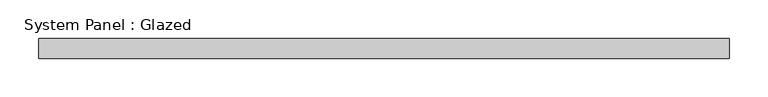
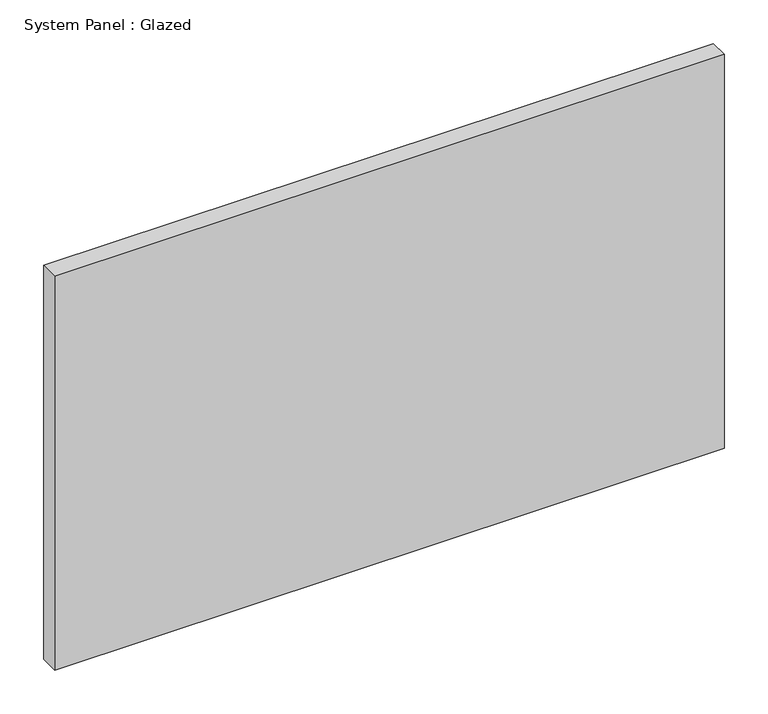
"""IFC4 building model written with IfcOpenShell, lengths in millimetres: plate geometry, System Panel : Glazed."""

import ifcopenshell
import ifcopenshell.guid

model = None  # the IFC model being written
_history = None  # IfcOwnerHistory: only IFC2X3 demands one
_inside = {}  # id of a spatial element -> (the spatial element, [elements in it])
_under = {}  # id of a project, library or spatial element -> (it, [spatial elements below it])
_declared = {}  # id of a project -> (the project, [libraries it declares])
_typed = {}  # id of a type object -> (the type object, [elements of that type])
_made_of = {}  # id of a material, layer set ... -> (it, [elements and type objects made of it])


def new_model(schema):
    """Start an empty IFC model of exactly this schema.

    Asked for "IFC4X3", IfcOpenShell would pick the latest addendum, in which some entities
    have other attributes; the version numbers below select the first issue.
    IFC2X3 requires an IfcOwnerHistory on every rooted entity: one is made here for all.
    """
    global model, _history
    if schema == "IFC4X3":
        model = ifcopenshell.file(schema_version=(4, 3, 0, 0))
    else:
        model = ifcopenshell.file(schema=schema)
    _inside.clear()
    _under.clear()
    _declared.clear()
    _typed.clear()
    _made_of.clear()
    _history = None
    if model.schema == "IFC2X3":
        org = make("IfcOrganization", Name="unknown")
        user = make(
            "IfcPersonAndOrganization",
            ThePerson=make("IfcPerson", FamilyName="unknown"),
            TheOrganization=org,
        )
        app = make(
            "IfcApplication",
            ApplicationDeveloper=org,
            Version="unknown",
            ApplicationFullName="unknown",
            ApplicationIdentifier="unknown",
        )
        _history = make(
            "IfcOwnerHistory",
            OwningUser=user,
            OwningApplication=app,
            ChangeAction="ADDED",
            CreationDate=0,
        )
    return model


def make(cls, **values):
    """One entity of the class cls with the attributes given. An attribute that is None is left unset."""
    return model.create_entity(
        cls, **{name: value for name, value in values.items() if value is not None}
    )


def rooted(cls, **values):
    """An entity with a GlobalId (a new one), such as an element, a storey or a relation."""
    return make(cls, GlobalId=ifcopenshell.guid.new(), OwnerHistory=_history, **values)


def si_unit(unit_type, name, prefix=None):
    """IfcSIUnit, for example si_unit("LENGTHUNIT", "METRE", prefix="MILLI")."""
    return make("IfcSIUnit", UnitType=unit_type, Prefix=prefix, Name=name)


def assignment(units):
    """IfcUnitAssignment: the units of a project."""
    return None if units is None else make("IfcUnitAssignment", Units=units)


def point(xyz):
    """IfcCartesianPoint."""
    return None if xyz is None else make("IfcCartesianPoint", Coordinates=xyz)


def direction(xyz):
    """IfcDirection."""
    return None if xyz is None else make("IfcDirection", DirectionRatios=xyz)


def frame(location, z_axis=None, x_axis=None):
    """IfcAxis2Placement3D, a coordinate frame: its origin and axes. An axis left out is left unset."""
    return make(
        "IfcAxis2Placement3D",
        Location=point(location),
        Axis=direction(z_axis),
        RefDirection=direction(x_axis),
    )


def origin():
    """The frame at (0, 0, 0) with its axes left unset."""
    return frame((0.0, 0.0, 0.0))


def origin_with_axes():
    """The frame at (0, 0, 0) with the z axis (0, 0, 1) and the x axis (1, 0, 0) written out."""
    return frame((0.0, 0.0, 0.0), z_axis=(0.0, 0.0, 1.0), x_axis=(1.0, 0.0, 0.0))


def place(relative_to, where):
    """IfcLocalPlacement: puts the frame where relative to a parent placement (None: the world)."""
    return make(
        "IfcLocalPlacement", PlacementRelTo=relative_to, RelativePlacement=where
    )


def context(
    kind, dimensions, precision=None, world=None, true_north=None, identifier=None
):
    """IfcGeometricRepresentationContext, for example the 3D "Model" context."""
    return make(
        "IfcGeometricRepresentationContext",
        ContextIdentifier=identifier,
        ContextType=kind,
        CoordinateSpaceDimension=dimensions,
        Precision=precision,
        WorldCoordinateSystem=world,
        TrueNorth=true_north,
    )


def project(units=None, contexts=None):
    """IfcProject with its units and contexts."""
    return rooted(
        "IfcProject",
        Name="project",
        RepresentationContexts=contexts,
        UnitsInContext=assignment(units),
    )


def spatial(cls, under=None, at=None, **own):
    """A site, building, storey or space (cls), placed at a placement, below another one or the project."""
    s = rooted(cls, ObjectPlacement=at, **own)
    if under is not None:
        _under.setdefault(under.id(), (under, []))[1].append(s)
    return s


def polyline(points):
    """IfcPolyline through the points."""
    return make("IfcPolyline", Points=[point(p) for p in points])


def outline(outer, holes=None, kind="AREA"):
    """IfcArbitraryClosedProfileDef: a profile drawn as a closed curve; with holes, ...WithVoids."""
    if holes is None:
        return make("IfcArbitraryClosedProfileDef", ProfileType=kind, OuterCurve=outer)
    return make(
        "IfcArbitraryProfileDefWithVoids",
        ProfileType=kind,
        OuterCurve=outer,
        InnerCurves=holes,
    )


def extrude(swept, where, along, depth):
    """IfcExtrudedAreaSolid: the profile swept, set in the frame where, extruded along a direction by depth."""
    return make(
        "IfcExtrudedAreaSolid",
        SweptArea=swept,
        Position=where,
        ExtrudedDirection=direction(along),
        Depth=depth,
    )


def shape(context_of_items, identifier, shape_type, items):
    """IfcShapeRepresentation: the items that make up one representation, for example the "Body"."""
    return make(
        "IfcShapeRepresentation",
        ContextOfItems=context_of_items,
        RepresentationIdentifier=identifier,
        RepresentationType=shape_type,
        Items=items,
    )


def source(mapping_origin, context_of_items, identifier, shape_type, items):
    """IfcRepresentationMap: a shape defined once, which mapped items show again and again."""
    return make(
        "IfcRepresentationMap",
        MappingOrigin=mapping_origin,
        MappedRepresentation=shape(context_of_items, identifier, shape_type, items),
    )


def transform(
    local_origin,
    x_axis=None,
    y_axis=None,
    z_axis=None,
    scale=None,
    scale2=None,
    scale3=None,
    uniform=True,
):
    """IfcCartesianTransformationOperator3D, or its non-uniform kind. x_axis, y_axis, z_axis: its Axis1, 2, 3."""
    if uniform:
        return make(
            "IfcCartesianTransformationOperator3D",
            Axis1=direction(x_axis),
            Axis2=direction(y_axis),
            LocalOrigin=point(local_origin),
            Scale=scale,
            Axis3=direction(z_axis),
        )
    return make(
        "IfcCartesianTransformationOperator3DnonUniform",
        Axis1=direction(x_axis),
        Axis2=direction(y_axis),
        LocalOrigin=point(local_origin),
        Scale=scale,
        Axis3=direction(z_axis),
        Scale2=scale2,
        Scale3=scale3,
    )


def mapped(mapping_source, mapping_target):
    """IfcMappedItem: shows the shape of a source again, moved by a transform."""
    return make(
        "IfcMappedItem", MappingSource=mapping_source, MappingTarget=mapping_target
    )


def made_of(thing, what):
    """Note that an element or type object is made of a material, layer set ...; save() writes the relation."""
    if what is not None:
        _made_of.setdefault(what.id(), (what, []))[1].append(thing)
    return thing


def element(
    cls,
    number,
    at=None,
    inside=None,
    cuts=None,
    type_object=None,
    material=None,
    context=None,
    identifier="Body",
    shape_type=None,
    held_by="IfcProductDefinitionShape",
    body=None,
    shapes=None,
    **own,
):
    """One element of the class cls, such as IfcWall. Its Tag is "e" and its number.

    at: its placement. inside: the storey or other place that contains it. cuts: it is an
    opening in that element (IfcRelVoidsElement). A single representation is given by context,
    identifier, shape_type and body (its items); several are given by shapes. held_by: the class
    of the entity that holds the representations. save() writes the other relations.
    """
    e = rooted(cls, Tag="e%d" % number, ObjectPlacement=at, **own)
    if body is not None:
        shapes = [shape(context, identifier, shape_type, body)]
    if shapes is not None:
        e.Representation = make(held_by, Representations=shapes)
    if inside is not None:
        _inside.setdefault(inside.id(), (inside, []))[1].append(e)
    if cuts is not None:
        rooted(
            "IfcRelVoidsElement", RelatingBuildingElement=cuts, RelatedOpeningElement=e
        )
    if type_object is not None:
        _typed.setdefault(type_object.id(), (type_object, []))[1].append(e)
    return made_of(e, material)


def aggregate(whole, parts):
    """IfcRelAggregates: a whole, such as a stair, and the parts it consists of."""
    return rooted("IfcRelAggregates", RelatingObject=whole, RelatedObjects=parts)


def save(model, path):
    """Write the relations noted so far, then the file.

    IfcRelAggregates (storeys below a building ...), IfcRelContainedInSpatialStructure (elements
    in a storey), IfcRelDefinesByType, IfcRelAssociatesMaterial and IfcRelDeclares: one each for
    every whole, place, type object, material and project.
    """
    for whole, parts in _under.values():
        aggregate(whole, parts)
    for where, things in _inside.values():
        rooted(
            "IfcRelContainedInSpatialStructure",
            RelatedElements=things,
            RelatingStructure=where,
        )
    for kind, things in _typed.values():
        rooted("IfcRelDefinesByType", RelatedObjects=things, RelatingType=kind)
    for what, things in _made_of.values():
        rooted("IfcRelAssociatesMaterial", RelatedObjects=things, RelatingMaterial=what)
    for by, libraries in _declared.values():
        rooted("IfcRelDeclares", RelatingContext=by, RelatedDefinitions=libraries)
    model.write(path)


def system_panel_glazed_e0239965(model_context):
    return source(origin(), model_context, "Body", "SweptSolid", [
        extrude(outline(polyline([(444.5, 19.05), (-444.5, 19.05), (-444.5, 44.45), (444.5, 44.45), (444.5, 19.05)])), origin_with_axes(), (0.0, 0.0, 1.0), 552.45),
    ])


if __name__ == "__main__":
    model = new_model("IFC4")
    model_context = context("Model", 3, world=origin())
    ifc_project = project(units=[si_unit("LENGTHUNIT", "METRE", prefix="MILLI")], contexts=[model_context])
    site = spatial("IfcSite", under=ifc_project)
    building = spatial("IfcBuilding", under=site)
    placement = place(None, origin())
    system_panel_glazed_shape = system_panel_glazed_e0239965(model_context)
    element("IfcPlate", 1, ObjectType="System Panel : Glazed", at=placement, inside=building, context=model_context, shape_type="MappedRepresentation", body=[
        mapped(system_panel_glazed_shape, transform((0.0, 0.0, 0.0), x_axis=(1.0, 0.0, 0.0), y_axis=(0.0, 1.0, 0.0), z_axis=(0.0, 0.0, 1.0))),
    ])
    save(model, "model.ifc")
